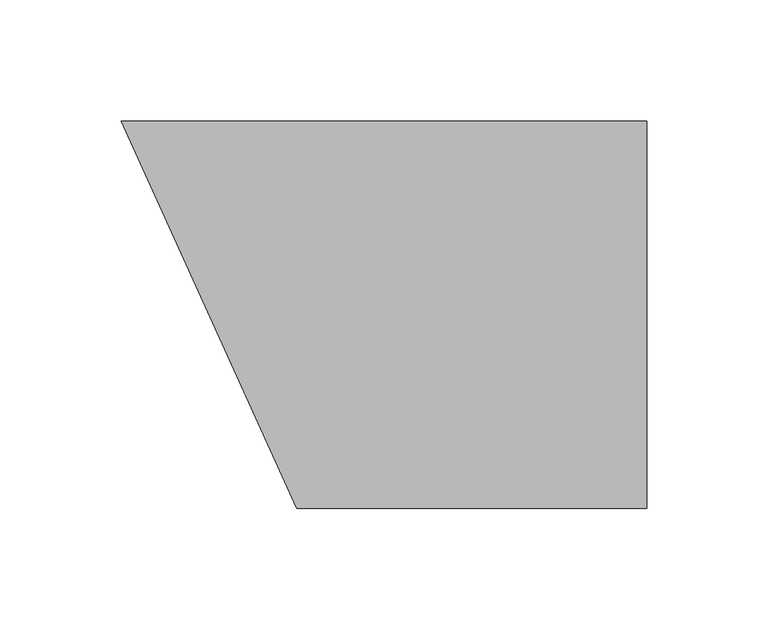
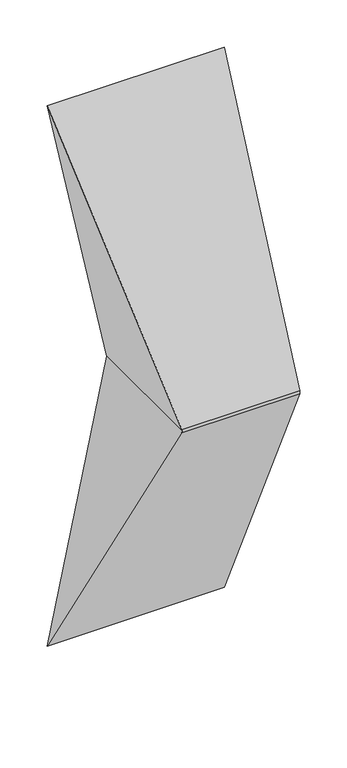
"""IFC4 building model written with IfcOpenShell, lengths in millimetres: proxy geometry."""

from ifc_helpers import new_model, si_unit, origin, place, context, project, spatial, faceted_brep, source, transform, mapped, element, save


def generic_models_1691c8c5(model_context):
    return source(origin(), model_context, "Body", "Brep", [
        faceted_brep([(73.0, -160.0, 350.0), (72.5828571, -160.0, 348.0), (217.0, -160.0, 348.0), (217.0, -160.0, 352.0), (72.5828571, -160.0, 352.0), (73.0, 0.0, 350.0), (0.0, 0.0, 700.0), (217.0, 0.0, 700.0), (217.0, 0.0, 0.0), (0.0, 0.0, 0.0)], [[[0, 1, 2, 3, 4]], [[5, 6, 7, 8, 9]], [[5, 9, 1, 0]], [[9, 8, 2, 1]], [[7, 6, 4, 3]], [[6, 5, 0, 4]], [[8, 7, 3, 2]]]),
    ])


if __name__ == "__main__":
    model = new_model("IFC4")
    model_context = context("Model", 3, world=origin())
    ifc_project = project(units=[si_unit("LENGTHUNIT", "METRE", prefix="MILLI")], contexts=[model_context])
    site = spatial("IfcSite", under=ifc_project)
    building = spatial("IfcBuilding", under=site)
    placement = place(None, origin())
    generic_models_shape = generic_models_1691c8c5(model_context)
    element("IfcBuildingElementProxy", 1, Name="Generic Models", at=placement, inside=building, context=model_context, shape_type="MappedRepresentation", body=[
        mapped(generic_models_shape, transform((0.0, 0.0, 0.0), x_axis=(1.0, 0.0, 0.0), y_axis=(0.0, 1.0, 0.0), z_axis=(0.0, 0.0, 1.0))),
    ])
    save(model, "model.ifc")
